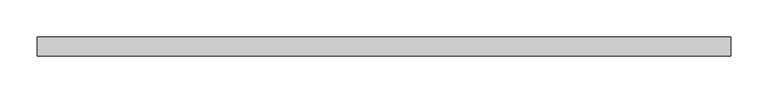
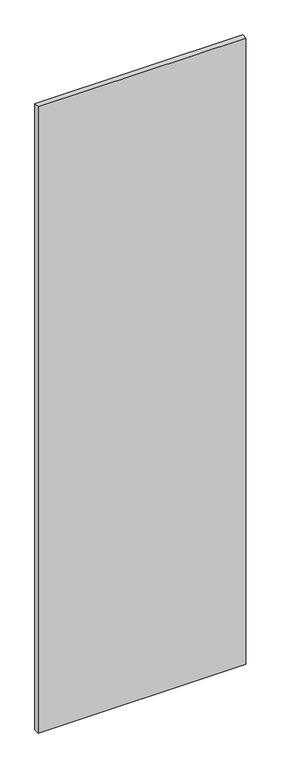
"""IFC4 building model written with IfcOpenShell, lengths in millimetres: plate geometry."""

from ifc_helpers import new_model, si_unit, origin, origin_with_axes, place, context, project, spatial, polyline, outline, extrude, source, transform, mapped, element, save


def plate_38c2607c(model_context):
    return source(origin(), model_context, "Body", "SweptSolid", [
        extrude(outline(polyline([(462.5, -49.5), (-462.5, -49.5), (-462.5, -24.5), (462.5, -24.5), (462.5, -49.5)])), origin_with_axes(), (0.0, 0.0, 1.0), 2950.0),
    ])


if __name__ == "__main__":
    model = new_model("IFC4")
    model_context = context("Model", 3, world=origin())
    ifc_project = project(units=[si_unit("LENGTHUNIT", "METRE", prefix="MILLI")], contexts=[model_context])
    site = spatial("IfcSite", under=ifc_project)
    building = spatial("IfcBuilding", under=site)
    placement = place(None, origin())
    plate_shape = plate_38c2607c(model_context)
    element("IfcPlate", 1, at=placement, inside=building, context=model_context, shape_type="MappedRepresentation", body=[
        mapped(plate_shape, transform((0.0, 0.0, 0.0), x_axis=(1.0, 0.0, 0.0), y_axis=(0.0, 1.0, 0.0), z_axis=(0.0, 0.0, 1.0))),
    ])
    save(model, "model.ifc")
